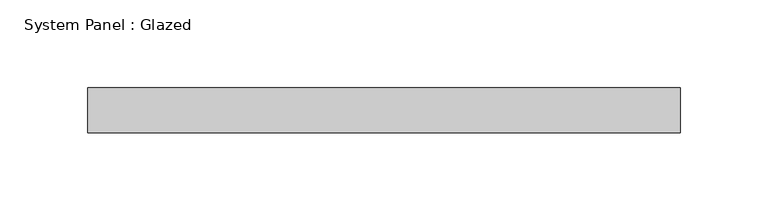
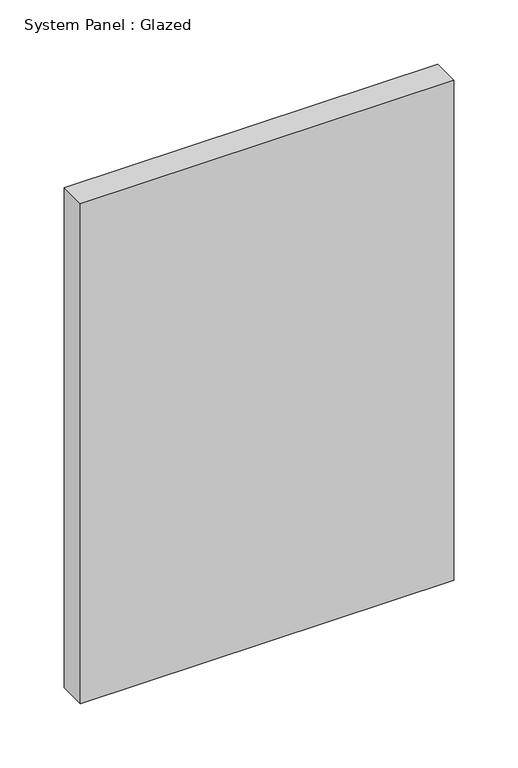
"""IFC4 building model written with IfcOpenShell, lengths in millimetres: plate geometry, System Panel : Glazed."""

import ifcopenshell
import ifcopenshell.guid

model = None  # the IFC model being written
_history = None  # IfcOwnerHistory: only IFC2X3 demands one
_inside = {}  # id of a spatial element -> (the spatial element, [elements in it])
_under = {}  # id of a project, library or spatial element -> (it, [spatial elements below it])
_declared = {}  # id of a project -> (the project, [libraries it declares])
_typed = {}  # id of a type object -> (the type object, [elements of that type])
_made_of = {}  # id of a material, layer set ... -> (it, [elements and type objects made of it])


def new_model(schema):
    """Start an empty IFC model of exactly this schema.

    Asked for "IFC4X3", IfcOpenShell would pick the latest addendum, in which some entities
    have other attributes; the version numbers below select the first issue.
    IFC2X3 requires an IfcOwnerHistory on every rooted entity: one is made here for all.
    """
    global model, _history
    if schema == "IFC4X3":
        model = ifcopenshell.file(schema_version=(4, 3, 0, 0))
    else:
        model = ifcopenshell.file(schema=schema)
    _inside.clear()
    _under.clear()
    _declared.clear()
    _typed.clear()
    _made_of.clear()
    _history = None
    if model.schema == "IFC2X3":
        org = make("IfcOrganization", Name="unknown")
        user = make(
            "IfcPersonAndOrganization",
            ThePerson=make("IfcPerson", FamilyName="unknown"),
            TheOrganization=org,
        )
        app = make(
            "IfcApplication",
            ApplicationDeveloper=org,
            Version="unknown",
            ApplicationFullName="unknown",
            ApplicationIdentifier="unknown",
        )
        _history = make(
            "IfcOwnerHistory",
            OwningUser=user,
            OwningApplication=app,
            ChangeAction="ADDED",
            CreationDate=0,
        )
    return model


def make(cls, **values):
    """One entity of the class cls with the attributes given. An attribute that is None is left unset."""
    return model.create_entity(
        cls, **{name: value for name, value in values.items() if value is not None}
    )


def rooted(cls, **values):
    """An entity with a GlobalId (a new one), such as an element, a storey or a relation."""
    return make(cls, GlobalId=ifcopenshell.guid.new(), OwnerHistory=_history, **values)


def si_unit(unit_type, name, prefix=None):
    """IfcSIUnit, for example si_unit("LENGTHUNIT", "METRE", prefix="MILLI")."""
    return make("IfcSIUnit", UnitType=unit_type, Prefix=prefix, Name=name)


def assignment(units):
    """IfcUnitAssignment: the units of a project."""
    return None if units is None else make("IfcUnitAssignment", Units=units)


def point(xyz):
    """IfcCartesianPoint."""
    return None if xyz is None else make("IfcCartesianPoint", Coordinates=xyz)


def direction(xyz):
    """IfcDirection."""
    return None if xyz is None else make("IfcDirection", DirectionRatios=xyz)


def frame(location, z_axis=None, x_axis=None):
    """IfcAxis2Placement3D, a coordinate frame: its origin and axes. An axis left out is left unset."""
    return make(
        "IfcAxis2Placement3D",
        Location=point(location),
        Axis=direction(z_axis),
        RefDirection=direction(x_axis),
    )


def origin():
    """The frame at (0, 0, 0) with its axes left unset."""
    return frame((0.0, 0.0, 0.0))


def origin_with_axes():
    """The frame at (0, 0, 0) with the z axis (0, 0, 1) and the x axis (1, 0, 0) written out."""
    return frame((0.0, 0.0, 0.0), z_axis=(0.0, 0.0, 1.0), x_axis=(1.0, 0.0, 0.0))


def place(relative_to, where):
    """IfcLocalPlacement: puts the frame where relative to a parent placement (None: the world)."""
    return make(
        "IfcLocalPlacement", PlacementRelTo=relative_to, RelativePlacement=where
    )


def context(
    kind, dimensions, precision=None, world=None, true_north=None, identifier=None
):
    """IfcGeometricRepresentationContext, for example the 3D "Model" context."""
    return make(
        "IfcGeometricRepresentationContext",
        ContextIdentifier=identifier,
        ContextType=kind,
        CoordinateSpaceDimension=dimensions,
        Precision=precision,
        WorldCoordinateSystem=world,
        TrueNorth=true_north,
    )


def project(units=None, contexts=None):
    """IfcProject with its units and contexts."""
    return rooted(
        "IfcProject",
        Name="project",
        RepresentationContexts=contexts,
        UnitsInContext=assignment(units),
    )


def spatial(cls, under=None, at=None, **own):
    """A site, building, storey or space (cls), placed at a placement, below another one or the project."""
    s = rooted(cls, ObjectPlacement=at, **own)
    if under is not None:
        _under.setdefault(under.id(), (under, []))[1].append(s)
    return s


def polyline(points):
    """IfcPolyline through the points."""
    return make("IfcPolyline", Points=[point(p) for p in points])


def outline(outer, holes=None, kind="AREA"):
    """IfcArbitraryClosedProfileDef: a profile drawn as a closed curve; with holes, ...WithVoids."""
    if holes is None:
        return make("IfcArbitraryClosedProfileDef", ProfileType=kind, OuterCurve=outer)
    return make(
        "IfcArbitraryProfileDefWithVoids",
        ProfileType=kind,
        OuterCurve=outer,
        InnerCurves=holes,
    )


def extrude(swept, where, along, depth):
    """IfcExtrudedAreaSolid: the profile swept, set in the frame where, extruded along a direction by depth."""
    return make(
        "IfcExtrudedAreaSolid",
        SweptArea=swept,
        Position=where,
        ExtrudedDirection=direction(along),
        Depth=depth,
    )


def shape(context_of_items, identifier, shape_type, items):
    """IfcShapeRepresentation: the items that make up one representation, for example the "Body"."""
    return make(
        "IfcShapeRepresentation",
        ContextOfItems=context_of_items,
        RepresentationIdentifier=identifier,
        RepresentationType=shape_type,
        Items=items,
    )


def source(mapping_origin, context_of_items, identifier, shape_type, items):
    """IfcRepresentationMap: a shape defined once, which mapped items show again and again."""
    return make(
        "IfcRepresentationMap",
        MappingOrigin=mapping_origin,
        MappedRepresentation=shape(context_of_items, identifier, shape_type, items),
    )


def transform(
    local_origin,
    x_axis=None,
    y_axis=None,
    z_axis=None,
    scale=None,
    scale2=None,
    scale3=None,
    uniform=True,
):
    """IfcCartesianTransformationOperator3D, or its non-uniform kind. x_axis, y_axis, z_axis: its Axis1, 2, 3."""
    if uniform:
        return make(
            "IfcCartesianTransformationOperator3D",
            Axis1=direction(x_axis),
            Axis2=direction(y_axis),
            LocalOrigin=point(local_origin),
            Scale=scale,
            Axis3=direction(z_axis),
        )
    return make(
        "IfcCartesianTransformationOperator3DnonUniform",
        Axis1=direction(x_axis),
        Axis2=direction(y_axis),
        LocalOrigin=point(local_origin),
        Scale=scale,
        Axis3=direction(z_axis),
        Scale2=scale2,
        Scale3=scale3,
    )


def mapped(mapping_source, mapping_target):
    """IfcMappedItem: shows the shape of a source again, moved by a transform."""
    return make(
        "IfcMappedItem", MappingSource=mapping_source, MappingTarget=mapping_target
    )


def made_of(thing, what):
    """Note that an element or type object is made of a material, layer set ...; save() writes the relation."""
    if what is not None:
        _made_of.setdefault(what.id(), (what, []))[1].append(thing)
    return thing


def element(
    cls,
    number,
    at=None,
    inside=None,
    cuts=None,
    type_object=None,
    material=None,
    context=None,
    identifier="Body",
    shape_type=None,
    held_by="IfcProductDefinitionShape",
    body=None,
    shapes=None,
    **own,
):
    """One element of the class cls, such as IfcWall. Its Tag is "e" and its number.

    at: its placement. inside: the storey or other place that contains it. cuts: it is an
    opening in that element (IfcRelVoidsElement). A single representation is given by context,
    identifier, shape_type and body (its items); several are given by shapes. held_by: the class
    of the entity that holds the representations. save() writes the other relations.
    """
    e = rooted(cls, Tag="e%d" % number, ObjectPlacement=at, **own)
    if body is not None:
        shapes = [shape(context, identifier, shape_type, body)]
    if shapes is not None:
        e.Representation = make(held_by, Representations=shapes)
    if inside is not None:
        _inside.setdefault(inside.id(), (inside, []))[1].append(e)
    if cuts is not None:
        rooted(
            "IfcRelVoidsElement", RelatingBuildingElement=cuts, RelatedOpeningElement=e
        )
    if type_object is not None:
        _typed.setdefault(type_object.id(), (type_object, []))[1].append(e)
    return made_of(e, material)


def aggregate(whole, parts):
    """IfcRelAggregates: a whole, such as a stair, and the parts it consists of."""
    return rooted("IfcRelAggregates", RelatingObject=whole, RelatedObjects=parts)


def save(model, path):
    """Write the relations noted so far, then the file.

    IfcRelAggregates (storeys below a building ...), IfcRelContainedInSpatialStructure (elements
    in a storey), IfcRelDefinesByType, IfcRelAssociatesMaterial and IfcRelDeclares: one each for
    every whole, place, type object, material and project.
    """
    for whole, parts in _under.values():
        aggregate(whole, parts)
    for where, things in _inside.values():
        rooted(
            "IfcRelContainedInSpatialStructure",
            RelatedElements=things,
            RelatingStructure=where,
        )
    for kind, things in _typed.values():
        rooted("IfcRelDefinesByType", RelatedObjects=things, RelatingType=kind)
    for what, things in _made_of.values():
        rooted("IfcRelAssociatesMaterial", RelatedObjects=things, RelatingMaterial=what)
    for by, libraries in _declared.values():
        rooted("IfcRelDeclares", RelatingContext=by, RelatedDefinitions=libraries)
    model.write(path)


def system_panel_glazed_8d1ed711(model_context):
    return source(origin(), model_context, "Body", "SweptSolid", [
        extrude(outline(polyline([(168.275, -12.7), (-168.275, -12.7), (-168.275, 12.7), (168.275, 12.7), (168.275, -12.7)])), origin_with_axes(), (0.0, 0.0, 1.0), 476.25),
    ])


if __name__ == "__main__":
    model = new_model("IFC4")
    model_context = context("Model", 3, world=origin())
    ifc_project = project(units=[si_unit("LENGTHUNIT", "METRE", prefix="MILLI")], contexts=[model_context])
    site = spatial("IfcSite", under=ifc_project)
    building = spatial("IfcBuilding", under=site)
    placement = place(None, origin())
    system_panel_glazed_shape = system_panel_glazed_8d1ed711(model_context)
    element("IfcPlate", 1, ObjectType="System Panel : Glazed", at=placement, inside=building, context=model_context, shape_type="MappedRepresentation", body=[
        mapped(system_panel_glazed_shape, transform((0.0, 0.0, 0.0), x_axis=(1.0, 0.0, 0.0), y_axis=(0.0, 1.0, 0.0), z_axis=(0.0, 0.0, 1.0))),
    ])
    save(model, "model.ifc")
